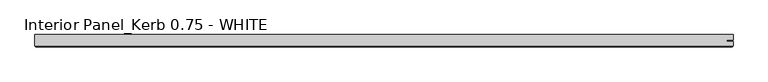
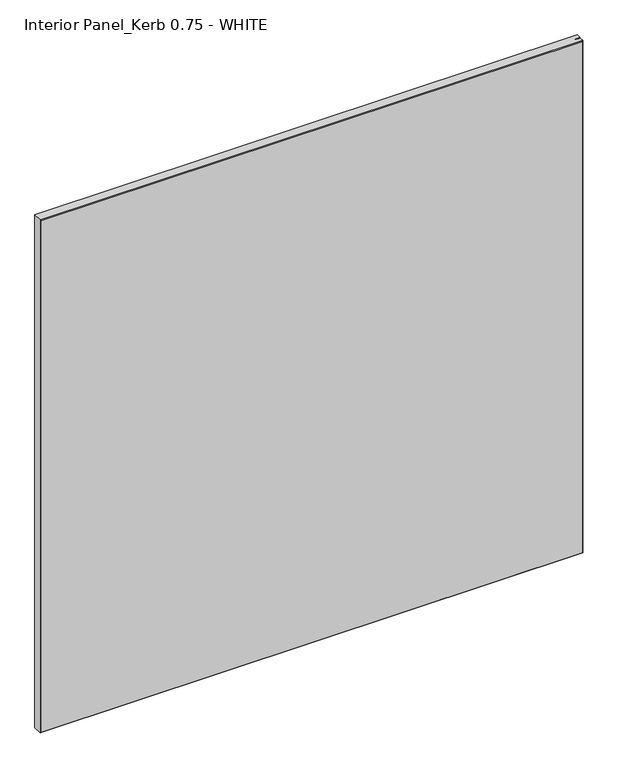
"""IFC4 building model written with IfcOpenShell, lengths in millimetres: proxy geometry, Interior Panel_Kerb 0.75 - WHITE."""

from ifc_helpers import new_model, si_unit, origin, place, context, project, spatial, faceted_brep, source, transform, mapped, element, save


def interior_panel_kerb_0_75_white_57e3465c(model_context):
    return source(origin(), model_context, "Body", "Brep", [
        faceted_brep([(992.1875, 3.175, 1063.625), (-73.025, 3.175, 1063.625), (-73.025, -14.2875, 1063.625), (992.1875, -14.2875, 1063.625), (992.1875, -7.4168, 1063.625), (982.3648437, -7.4168, 1063.625), (982.3648437, -5.2832, 1063.625), (992.1875, -5.2832, 1063.625), (992.1875, 3.175, 0.0), (992.1875, -5.2832, 0.0), (982.3648437, -5.2832, 0.0), (982.3648437, -7.4168, 0.0), (992.1875, -7.4168, 0.0), (992.1875, -14.2875, 0.0), (-73.025, -14.2875, 0.0), (-73.025, 3.175, 0.0), (-71.4375, -15.875, 1062.0375), (-71.4375, -15.875, 1.5875), (990.6, -15.875, 1.5875), (990.6, -15.875, 1062.0375)], [[[0, 1, 2, 3, 4, 5, 6, 7]], [[8, 9, 10, 11, 12, 13, 14, 15]], [[1, 0, 8, 15]], [[2, 1, 15, 14]], [[16, 17, 18, 19]], [[4, 3, 13, 12]], [[2, 14, 17, 16]], [[13, 3, 19, 18]], [[3, 2, 16, 19]], [[14, 13, 18, 17]], [[5, 4, 12, 11]], [[6, 5, 11, 10]], [[7, 6, 10, 9]], [[0, 7, 9, 8]]]),
    ])


if __name__ == "__main__":
    model = new_model("IFC4")
    model_context = context("Model", 3, world=origin())
    ifc_project = project(units=[si_unit("LENGTHUNIT", "METRE", prefix="MILLI")], contexts=[model_context])
    site = spatial("IfcSite", under=ifc_project)
    building = spatial("IfcBuilding", under=site)
    placement = place(None, origin())
    interior_panel_kerb_0_75_white_shape = interior_panel_kerb_0_75_white_57e3465c(model_context)
    element("IfcBuildingElementProxy", 1, Name="Interior Panel_Kerb 0.75 - WHITE", ObjectType="Interior Panel_Kerb 0.75 - WHITE", at=placement, inside=building, context=model_context, shape_type="MappedRepresentation", body=[
        mapped(interior_panel_kerb_0_75_white_shape, transform((0.0, 0.0, 0.0), x_axis=(1.0, 0.0, 0.0), y_axis=(0.0, 1.0, 0.0), z_axis=(0.0, 0.0, 1.0))),
    ])
    save(model, "model.ifc")
